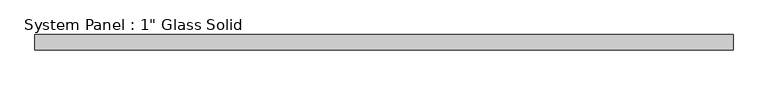
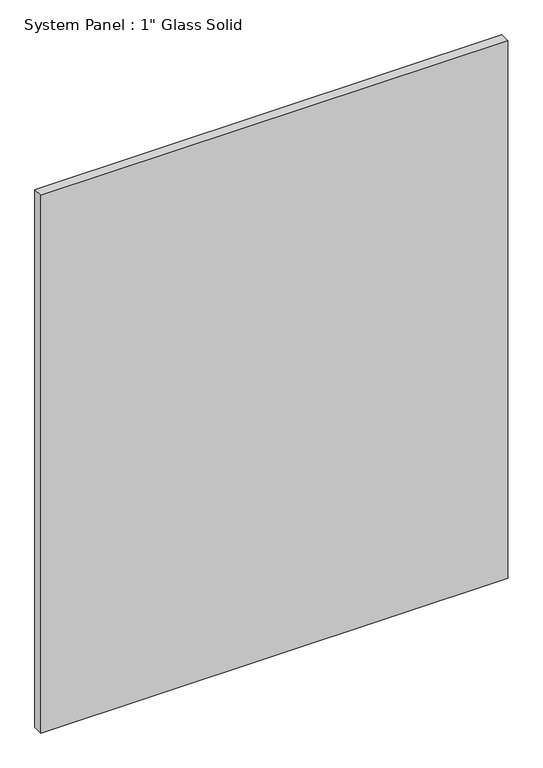
"""IFC4 building model written with IfcOpenShell, lengths in millimetres: plate geometry."""

from ifc_helpers import new_model, si_unit, origin, origin_with_axes, place, context, project, spatial, polyline, outline, extrude, source, transform, mapped, element, save


def plate_1b1e2047(model_context):
    return source(origin(), model_context, "Body", "SweptSolid", [
        extrude(outline(polyline([(584.2008852, -12.7), (-584.2008852, -12.7), (-584.2008852, 12.7), (584.2008852, 12.7), (584.2008852, -12.7)])), origin_with_axes(), (0.0, 0.0, 1.0), 1422.2894027),
    ])


if __name__ == "__main__":
    model = new_model("IFC4")
    model_context = context("Model", 3, world=origin())
    ifc_project = project(units=[si_unit("LENGTHUNIT", "METRE", prefix="MILLI")], contexts=[model_context])
    site = spatial("IfcSite", under=ifc_project)
    building = spatial("IfcBuilding", under=site)
    placement = place(None, origin())
    plate_shape = plate_1b1e2047(model_context)
    element("IfcPlate", 1, ObjectType="System Panel : 1\" Glass Solid", at=placement, inside=building, context=model_context, shape_type="MappedRepresentation", body=[
        mapped(plate_shape, transform((0.0, 0.0, 0.0), x_axis=(1.0, 0.0, 0.0), y_axis=(0.0, 1.0, 0.0), z_axis=(0.0, 0.0, 1.0))),
    ])
    save(model, "model.ifc")
